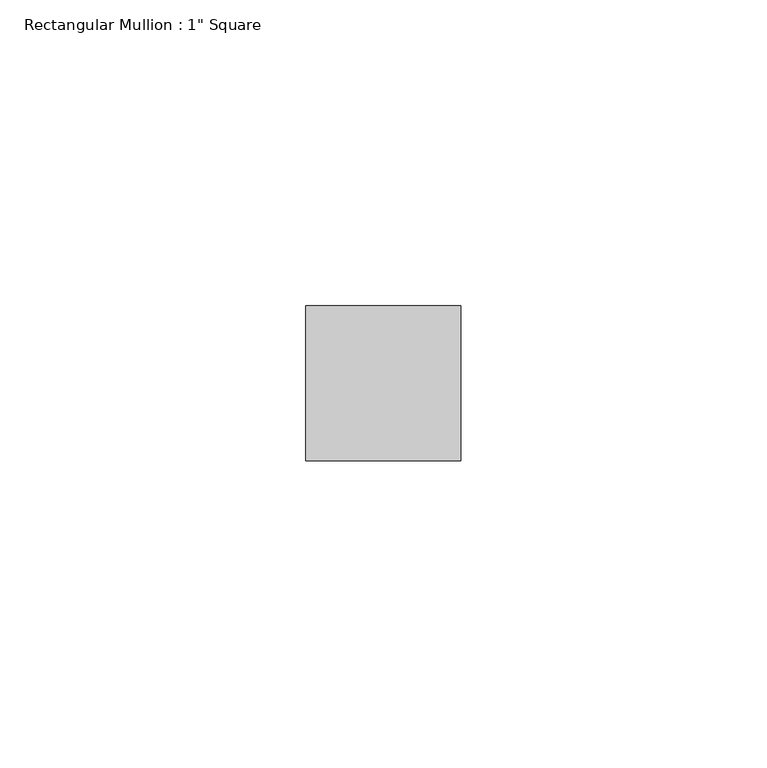
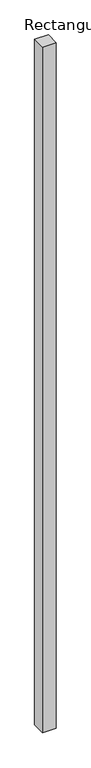
"""IFC4 building model written with IfcOpenShell, lengths in millimetres: member geometry."""

from ifc_helpers import new_model, si_unit, frame, origin, place, context, project, spatial, polyline, outline, extrude, source, transform, mapped, element, save


def member_091ab5ed(model_context):
    return source(origin(), model_context, "Body", "SweptSolid", [
        extrude(outline(polyline([(12.7, 12.7), (12.7, -12.7), (-12.7, -12.7), (-12.7, 12.7), (12.7, 12.7)])), frame((0.0, 0.0, -1349.2), z_axis=(0.0, 0.0, 1.0), x_axis=(1.0, 0.0, 0.0)), (0.0, 0.0, 1.0), 1349.2),
    ])


if __name__ == "__main__":
    model = new_model("IFC4")
    model_context = context("Model", 3, world=origin())
    ifc_project = project(units=[si_unit("LENGTHUNIT", "METRE", prefix="MILLI")], contexts=[model_context])
    site = spatial("IfcSite", under=ifc_project)
    building = spatial("IfcBuilding", under=site)
    placement = place(None, origin())
    member_shape = member_091ab5ed(model_context)
    element("IfcMember", 1, ObjectType="Rectangular Mullion : 1\" Square", at=placement, inside=building, context=model_context, shape_type="MappedRepresentation", body=[
        mapped(member_shape, transform((0.0, 0.0, 0.0), x_axis=(1.0, 0.0, 0.0), y_axis=(0.0, 1.0, 0.0), z_axis=(0.0, 0.0, 1.0))),
    ])
    save(model, "model.ifc")
